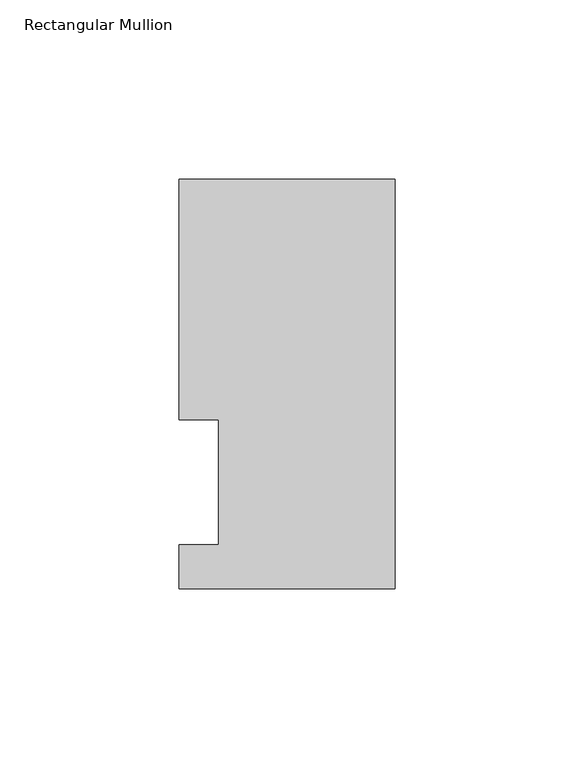
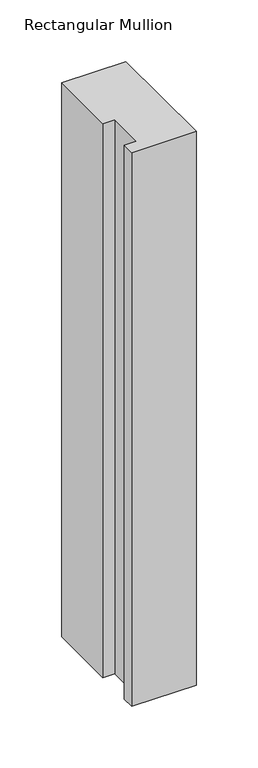
"""IFC4 building model written with IfcOpenShell, lengths in millimetres: member geometry, Rectangular Mullion."""

from ifc_helpers import new_model, si_unit, frame, origin, place, context, project, spatial, polyline, outline, extrude, source, transform, mapped, element, save


def rectangular_mullion_d545c1f0(model_context):
    return source(origin(), model_context, "Body", "SweptSolid", [
        extrude(outline(polyline([(0.0, 114.252375), (0.0, -0.047625), (-60.325, -0.047625), (-60.325, 12.144375), (-49.2125, 12.144375), (-49.2125, 47.069375), (-60.325, 47.069375), (-60.325, 114.252375), (0.0, 114.252375)])), frame((0.0, 0.0, -549.2748985), z_axis=(0.0, 0.0, 1.0), x_axis=(1.0, 0.0, 0.0)), (0.0, 0.0, 1.0), 549.2748985),
    ])


if __name__ == "__main__":
    model = new_model("IFC4")
    model_context = context("Model", 3, world=origin())
    ifc_project = project(units=[si_unit("LENGTHUNIT", "METRE", prefix="MILLI")], contexts=[model_context])
    site = spatial("IfcSite", under=ifc_project)
    building = spatial("IfcBuilding", under=site)
    placement = place(None, origin())
    rectangular_mullion_shape = rectangular_mullion_d545c1f0(model_context)
    element("IfcMember", 1, ObjectType="Rectangular Mullion", at=placement, inside=building, context=model_context, shape_type="MappedRepresentation", body=[
        mapped(rectangular_mullion_shape, transform((0.0, 0.0, 0.0), x_axis=(1.0, 0.0, 0.0), y_axis=(0.0, 1.0, 0.0), z_axis=(0.0, 0.0, 1.0))),
    ])
    save(model, "model.ifc")
